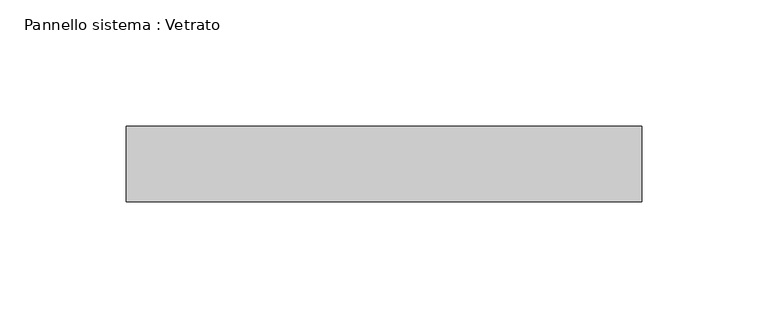
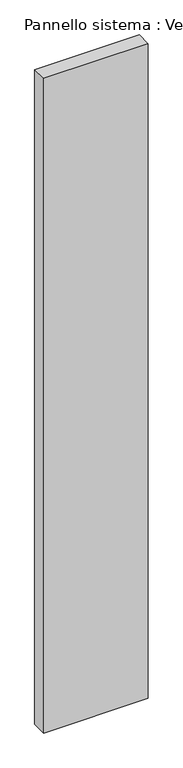
"""IFC4 building model written with IfcOpenShell, lengths in millimetres: plate geometry, Pannello sistema : Vetrato."""

from ifc_helpers import new_model, si_unit, origin, origin_with_axes, place, context, project, spatial, polyline, outline, extrude, source, transform, mapped, element, save


def pannello_sistema_vetrato_10915bd9(model_context):
    return source(origin(), model_context, "Body", "SweptSolid", [
        extrude(outline(polyline([(102.0856554, -15.0), (-102.0856554, -15.0), (-102.0856554, 15.0), (102.0856554, 15.0), (102.0856554, -15.0)])), origin_with_axes(), (0.0, 0.0, 1.0), 1350.0),
    ])


if __name__ == "__main__":
    model = new_model("IFC4")
    model_context = context("Model", 3, world=origin())
    ifc_project = project(units=[si_unit("LENGTHUNIT", "METRE", prefix="MILLI")], contexts=[model_context])
    site = spatial("IfcSite", under=ifc_project)
    building = spatial("IfcBuilding", under=site)
    placement = place(None, origin())
    pannello_sistema_vetrato_shape = pannello_sistema_vetrato_10915bd9(model_context)
    element("IfcPlate", 1, ObjectType="Pannello sistema : Vetrato", at=placement, inside=building, context=model_context, shape_type="MappedRepresentation", body=[
        mapped(pannello_sistema_vetrato_shape, transform((0.0, 0.0, 0.0), x_axis=(1.0, 0.0, 0.0), y_axis=(0.0, 1.0, 0.0), z_axis=(0.0, 0.0, 1.0))),
    ])
    save(model, "model.ifc")
